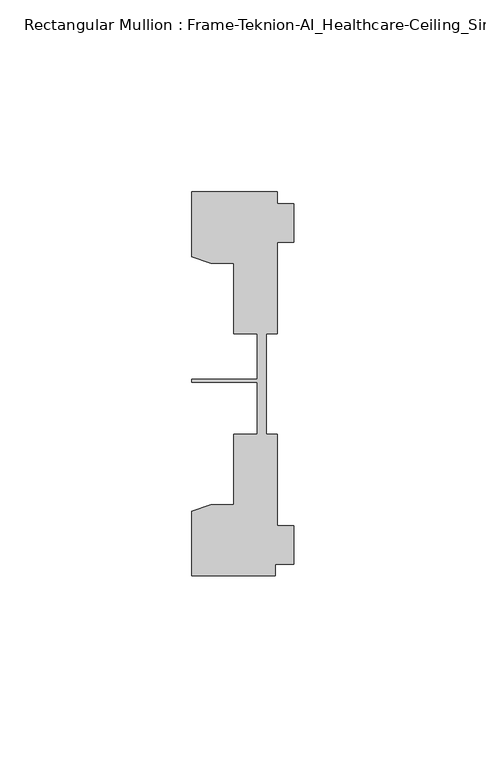
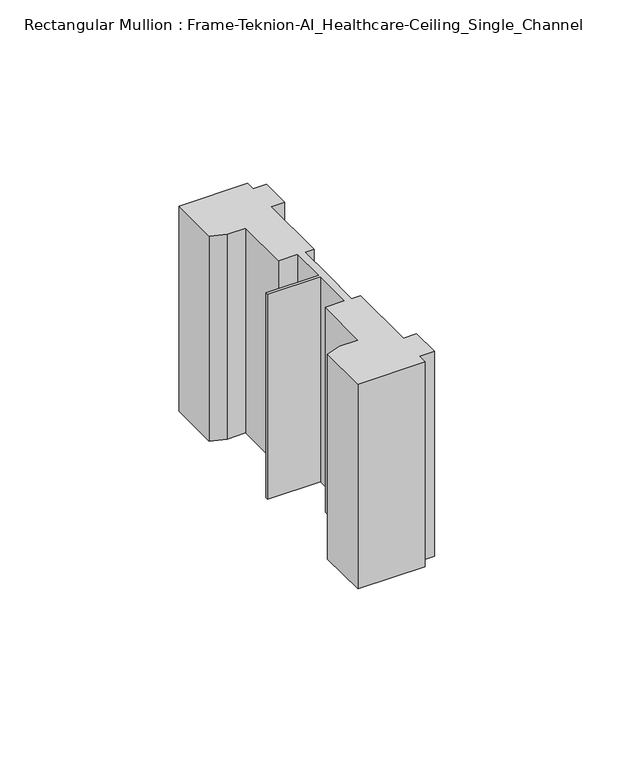
"""IFC4 building model written with IfcOpenShell, lengths in millimetres: member geometry, Rectangular Mullion : Frame-Teknion-AI_Healthcare-Ceiling_Single_Channel."""

from ifc_helpers import new_model, si_unit, frame, origin, place, context, project, spatial, polyline, outline, extrude, source, transform, mapped, element, save


def rectangular_mullion_frame_teknion_ai_healthcare_ceiling_1e99c413(model_context):
    return source(origin(), model_context, "Body", "SweptSolid", [
        extrude(outline(polyline([(-26.4921999, -34.0201677), (-21.6625199, -32.2880982), (-15.6737764, -32.2880982), (-15.6737764, -13.9110722), (-9.4507761, -13.9110722), (-9.4507761, -0.4036528), (-26.4921999, -0.4036528), (-26.4921999, 0.4036528), (-9.4507761, 0.4036528), (-9.4507761, 12.2509301), (-15.6737764, 12.2509301), (-15.6737764, 30.6279561), (-21.6625199, 30.6279561), (-26.4921999, 32.3600207), (-26.4921999, 49.1699293), (-4.2672007, 49.1699293), (-4.2672007, 46.1219322), (0.0, 46.1219322), (0.0, 36.1219249), (-4.2672007, 36.1219249), (-4.2672007, 12.2509301), (-7.1647766, 12.2509301), (-7.1647766, -0.0814804), (-7.1647766, -13.9110722), (-4.2672007, -13.9110722), (-4.2672007, -37.7820716), (0.0, -37.7820716), (0.0, -47.782071), (-4.7752002, -47.782071), (-4.7752002, -50.8315128), (-26.4921999, -50.8315128), (-26.4921999, -34.0201677)])), frame((0.0, 0.0, -69.85), z_axis=(0.0, 0.0, 1.0), x_axis=(1.0, 0.0, 0.0)), (0.0, 0.0, 1.0), 69.85),
    ])


if __name__ == "__main__":
    model = new_model("IFC4")
    model_context = context("Model", 3, world=origin())
    ifc_project = project(units=[si_unit("LENGTHUNIT", "METRE", prefix="MILLI")], contexts=[model_context])
    site = spatial("IfcSite", under=ifc_project)
    building = spatial("IfcBuilding", under=site)
    placement = place(None, origin())
    rectangular_mullion_frame_teknion_ai_healthcare_ceiling_shape = rectangular_mullion_frame_teknion_ai_healthcare_ceiling_1e99c413(model_context)
    element("IfcMember", 1, ObjectType="Rectangular Mullion : Frame-Teknion-AI_Healthcare-Ceiling_Single_Channel", at=placement, inside=building, context=model_context, shape_type="MappedRepresentation", body=[
        mapped(rectangular_mullion_frame_teknion_ai_healthcare_ceiling_shape, transform((0.0, 0.0, 0.0), x_axis=(1.0, 0.0, 0.0), y_axis=(0.0, 1.0, 0.0), z_axis=(0.0, 0.0, 1.0))),
    ])
    save(model, "model.ifc")
